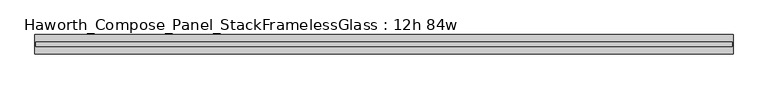
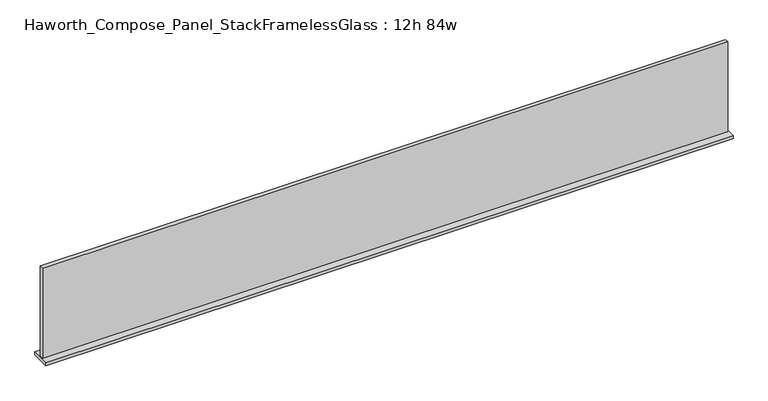
"""IFC4 building model written with IfcOpenShell, lengths in millimetres: furniture geometry, Haworth_Compose_Panel_StackFramelessGlass : 12h 84w."""

import ifcopenshell
import ifcopenshell.guid

model = None  # the IFC model being written
_history = None  # IfcOwnerHistory: only IFC2X3 demands one
_inside = {}  # id of a spatial element -> (the spatial element, [elements in it])
_under = {}  # id of a project, library or spatial element -> (it, [spatial elements below it])
_declared = {}  # id of a project -> (the project, [libraries it declares])
_typed = {}  # id of a type object -> (the type object, [elements of that type])
_made_of = {}  # id of a material, layer set ... -> (it, [elements and type objects made of it])


def new_model(schema):
    """Start an empty IFC model of exactly this schema.

    Asked for "IFC4X3", IfcOpenShell would pick the latest addendum, in which some entities
    have other attributes; the version numbers below select the first issue.
    IFC2X3 requires an IfcOwnerHistory on every rooted entity: one is made here for all.
    """
    global model, _history
    if schema == "IFC4X3":
        model = ifcopenshell.file(schema_version=(4, 3, 0, 0))
    else:
        model = ifcopenshell.file(schema=schema)
    _inside.clear()
    _under.clear()
    _declared.clear()
    _typed.clear()
    _made_of.clear()
    _history = None
    if model.schema == "IFC2X3":
        org = make("IfcOrganization", Name="unknown")
        user = make(
            "IfcPersonAndOrganization",
            ThePerson=make("IfcPerson", FamilyName="unknown"),
            TheOrganization=org,
        )
        app = make(
            "IfcApplication",
            ApplicationDeveloper=org,
            Version="unknown",
            ApplicationFullName="unknown",
            ApplicationIdentifier="unknown",
        )
        _history = make(
            "IfcOwnerHistory",
            OwningUser=user,
            OwningApplication=app,
            ChangeAction="ADDED",
            CreationDate=0,
        )
    return model


def make(cls, **values):
    """One entity of the class cls with the attributes given. An attribute that is None is left unset."""
    return model.create_entity(
        cls, **{name: value for name, value in values.items() if value is not None}
    )


def rooted(cls, **values):
    """An entity with a GlobalId (a new one), such as an element, a storey or a relation."""
    return make(cls, GlobalId=ifcopenshell.guid.new(), OwnerHistory=_history, **values)


def si_unit(unit_type, name, prefix=None):
    """IfcSIUnit, for example si_unit("LENGTHUNIT", "METRE", prefix="MILLI")."""
    return make("IfcSIUnit", UnitType=unit_type, Prefix=prefix, Name=name)


def assignment(units):
    """IfcUnitAssignment: the units of a project."""
    return None if units is None else make("IfcUnitAssignment", Units=units)


def point(xyz):
    """IfcCartesianPoint."""
    return None if xyz is None else make("IfcCartesianPoint", Coordinates=xyz)


def direction(xyz):
    """IfcDirection."""
    return None if xyz is None else make("IfcDirection", DirectionRatios=xyz)


def frame(location, z_axis=None, x_axis=None):
    """IfcAxis2Placement3D, a coordinate frame: its origin and axes. An axis left out is left unset."""
    return make(
        "IfcAxis2Placement3D",
        Location=point(location),
        Axis=direction(z_axis),
        RefDirection=direction(x_axis),
    )


def origin():
    """The frame at (0, 0, 0) with its axes left unset."""
    return frame((0.0, 0.0, 0.0))


def place(relative_to, where):
    """IfcLocalPlacement: puts the frame where relative to a parent placement (None: the world)."""
    return make(
        "IfcLocalPlacement", PlacementRelTo=relative_to, RelativePlacement=where
    )


def context(
    kind, dimensions, precision=None, world=None, true_north=None, identifier=None
):
    """IfcGeometricRepresentationContext, for example the 3D "Model" context."""
    return make(
        "IfcGeometricRepresentationContext",
        ContextIdentifier=identifier,
        ContextType=kind,
        CoordinateSpaceDimension=dimensions,
        Precision=precision,
        WorldCoordinateSystem=world,
        TrueNorth=true_north,
    )


def project(units=None, contexts=None):
    """IfcProject with its units and contexts."""
    return rooted(
        "IfcProject",
        Name="project",
        RepresentationContexts=contexts,
        UnitsInContext=assignment(units),
    )


def spatial(cls, under=None, at=None, **own):
    """A site, building, storey or space (cls), placed at a placement, below another one or the project."""
    s = rooted(cls, ObjectPlacement=at, **own)
    if under is not None:
        _under.setdefault(under.id(), (under, []))[1].append(s)
    return s


def polyline(points):
    """IfcPolyline through the points."""
    return make("IfcPolyline", Points=[point(p) for p in points])


def outline(outer, holes=None, kind="AREA"):
    """IfcArbitraryClosedProfileDef: a profile drawn as a closed curve; with holes, ...WithVoids."""
    if holes is None:
        return make("IfcArbitraryClosedProfileDef", ProfileType=kind, OuterCurve=outer)
    return make(
        "IfcArbitraryProfileDefWithVoids",
        ProfileType=kind,
        OuterCurve=outer,
        InnerCurves=holes,
    )


def extrude(swept, where, along, depth):
    """IfcExtrudedAreaSolid: the profile swept, set in the frame where, extruded along a direction by depth."""
    return make(
        "IfcExtrudedAreaSolid",
        SweptArea=swept,
        Position=where,
        ExtrudedDirection=direction(along),
        Depth=depth,
    )


def shape(context_of_items, identifier, shape_type, items):
    """IfcShapeRepresentation: the items that make up one representation, for example the "Body"."""
    return make(
        "IfcShapeRepresentation",
        ContextOfItems=context_of_items,
        RepresentationIdentifier=identifier,
        RepresentationType=shape_type,
        Items=items,
    )


def source(mapping_origin, context_of_items, identifier, shape_type, items):
    """IfcRepresentationMap: a shape defined once, which mapped items show again and again."""
    return make(
        "IfcRepresentationMap",
        MappingOrigin=mapping_origin,
        MappedRepresentation=shape(context_of_items, identifier, shape_type, items),
    )


def transform(
    local_origin,
    x_axis=None,
    y_axis=None,
    z_axis=None,
    scale=None,
    scale2=None,
    scale3=None,
    uniform=True,
):
    """IfcCartesianTransformationOperator3D, or its non-uniform kind. x_axis, y_axis, z_axis: its Axis1, 2, 3."""
    if uniform:
        return make(
            "IfcCartesianTransformationOperator3D",
            Axis1=direction(x_axis),
            Axis2=direction(y_axis),
            LocalOrigin=point(local_origin),
            Scale=scale,
            Axis3=direction(z_axis),
        )
    return make(
        "IfcCartesianTransformationOperator3DnonUniform",
        Axis1=direction(x_axis),
        Axis2=direction(y_axis),
        LocalOrigin=point(local_origin),
        Scale=scale,
        Axis3=direction(z_axis),
        Scale2=scale2,
        Scale3=scale3,
    )


def mapped(mapping_source, mapping_target):
    """IfcMappedItem: shows the shape of a source again, moved by a transform."""
    return make(
        "IfcMappedItem", MappingSource=mapping_source, MappingTarget=mapping_target
    )


def made_of(thing, what):
    """Note that an element or type object is made of a material, layer set ...; save() writes the relation."""
    if what is not None:
        _made_of.setdefault(what.id(), (what, []))[1].append(thing)
    return thing


def element(
    cls,
    number,
    at=None,
    inside=None,
    cuts=None,
    type_object=None,
    material=None,
    context=None,
    identifier="Body",
    shape_type=None,
    held_by="IfcProductDefinitionShape",
    body=None,
    shapes=None,
    **own,
):
    """One element of the class cls, such as IfcWall. Its Tag is "e" and its number.

    at: its placement. inside: the storey or other place that contains it. cuts: it is an
    opening in that element (IfcRelVoidsElement). A single representation is given by context,
    identifier, shape_type and body (its items); several are given by shapes. held_by: the class
    of the entity that holds the representations. save() writes the other relations.
    """
    e = rooted(cls, Tag="e%d" % number, ObjectPlacement=at, **own)
    if body is not None:
        shapes = [shape(context, identifier, shape_type, body)]
    if shapes is not None:
        e.Representation = make(held_by, Representations=shapes)
    if inside is not None:
        _inside.setdefault(inside.id(), (inside, []))[1].append(e)
    if cuts is not None:
        rooted(
            "IfcRelVoidsElement", RelatingBuildingElement=cuts, RelatedOpeningElement=e
        )
    if type_object is not None:
        _typed.setdefault(type_object.id(), (type_object, []))[1].append(e)
    return made_of(e, material)


def aggregate(whole, parts):
    """IfcRelAggregates: a whole, such as a stair, and the parts it consists of."""
    return rooted("IfcRelAggregates", RelatingObject=whole, RelatedObjects=parts)


def save(model, path):
    """Write the relations noted so far, then the file.

    IfcRelAggregates (storeys below a building ...), IfcRelContainedInSpatialStructure (elements
    in a storey), IfcRelDefinesByType, IfcRelAssociatesMaterial and IfcRelDeclares: one each for
    every whole, place, type object, material and project.
    """
    for whole, parts in _under.values():
        aggregate(whole, parts)
    for where, things in _inside.values():
        rooted(
            "IfcRelContainedInSpatialStructure",
            RelatedElements=things,
            RelatingStructure=where,
        )
    for kind, things in _typed.values():
        rooted("IfcRelDefinesByType", RelatedObjects=things, RelatingType=kind)
    for what, things in _made_of.values():
        rooted("IfcRelAssociatesMaterial", RelatedObjects=things, RelatingMaterial=what)
    for by, libraries in _declared.values():
        rooted("IfcRelDeclares", RelatingContext=by, RelatedDefinitions=libraries)
    model.write(path)


def haworth_compose_panel_stackframelessglass_12h_84w_c40c7b9e(model_context):
    return source(origin(), model_context, "Body", "SweptSolid", [
        extrude(outline(polyline([(1066.0652902, -27.3093594), (-1061.1847098, -27.3093594), (-1061.1847098, -14.6093594), (1066.0652902, -14.6093594), (1066.0652902, -27.3093594)])), frame((0.0, 0.0, 1279.525), z_axis=(0.0, 0.0, 1.0), x_axis=(1.0, 0.0, 0.0)), (0.0, 0.0, 1.0), 295.275),
        extrude(outline(polyline([(-1064.3597098, -50.3281094), (-1064.3597098, 8.4093906), (1069.2402902, 8.4093906), (1069.2402902, -50.3281094), (-1064.3597098, -50.3281094)])), frame((0.0, 0.0, 1270.0), z_axis=(0.0, 0.0, 1.0), x_axis=(1.0, 0.0, 0.0)), (0.0, 0.0, 1.0), 9.525),
    ])


if __name__ == "__main__":
    model = new_model("IFC4")
    model_context = context("Model", 3, world=origin())
    ifc_project = project(units=[si_unit("LENGTHUNIT", "METRE", prefix="MILLI")], contexts=[model_context])
    site = spatial("IfcSite", under=ifc_project)
    building = spatial("IfcBuilding", under=site)
    placement = place(None, origin())
    haworth_compose_panel_stackframelessglass_12h_84w_shape = haworth_compose_panel_stackframelessglass_12h_84w_c40c7b9e(model_context)
    element("IfcFurniture", 1, ObjectType="Haworth_Compose_Panel_StackFramelessGlass : 12h 84w", at=placement, inside=building, context=model_context, shape_type="MappedRepresentation", body=[
        mapped(haworth_compose_panel_stackframelessglass_12h_84w_shape, transform((0.0, 0.0, 0.0), x_axis=(1.0, 0.0, 0.0), y_axis=(0.0, 1.0, 0.0), z_axis=(0.0, 0.0, 1.0))),
    ])
    save(model, "model.ifc")
